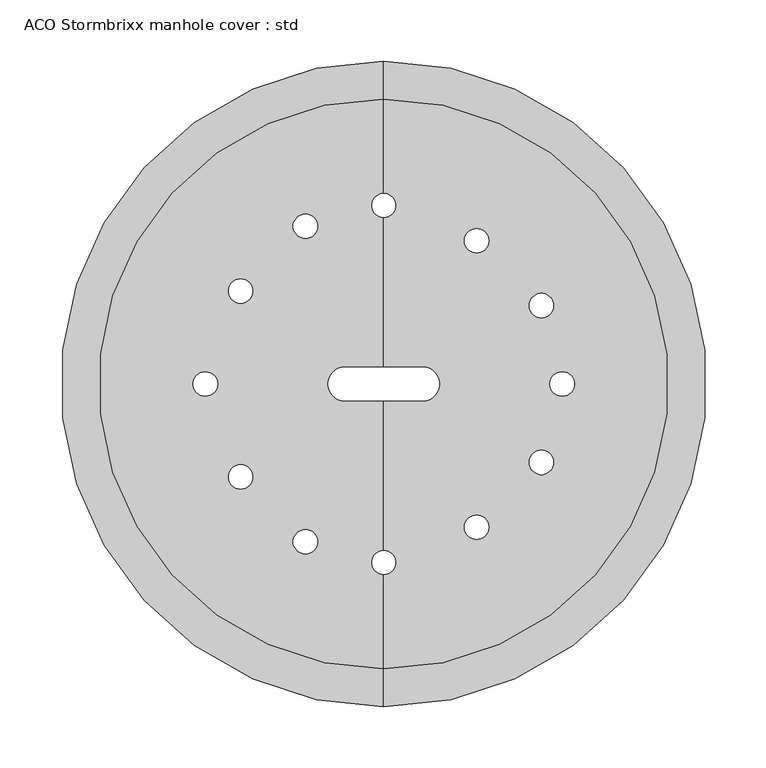
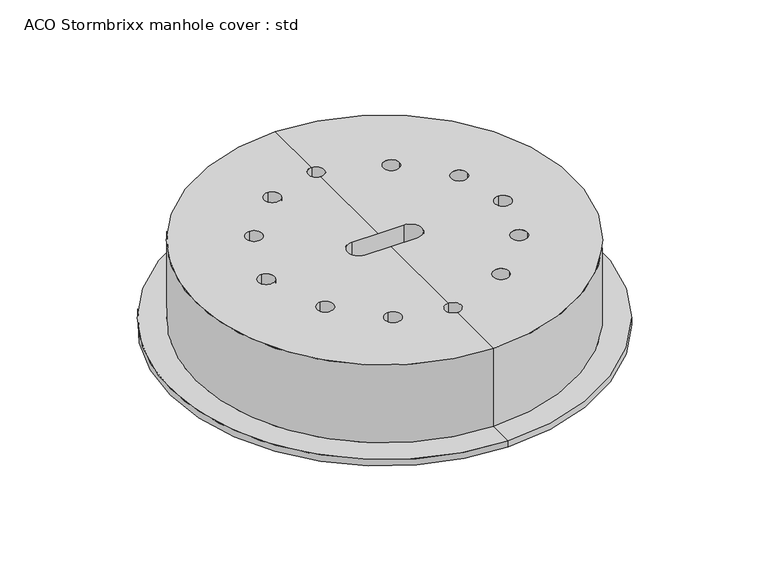
"""IFC4 building model written with IfcOpenShell, lengths in millimetres: unitary equipment geometry, ACO Stormbrixx manhole cover : std."""

from ifc_helpers import new_model, si_unit, frame, origin, place, context, project, spatial, polyline, circle_curve, source, transform, mapped, element, save
from ifc_brep_helpers import plane_surface, cylinder_surface, revolved_surface, advanced_brep


def aco_stormbrixx_manhole_cover_std_e3dfbb1c(model_context):
    return source(origin(), model_context, "Body", "AdvancedBrep", [
        advanced_brep(
        [(25.0, 223.0, 92.0), (25.0, -223.0, 92.0), (25.0, -223.0, 155.0), (25.0, 223.0, 155.0), (25.0, 264.0, 92.0), (25.0, -264.0, 92.0), (25.0, 264.0, 100.0), (25.0, -264.0, 100.0), (25.0, 233.0, 100.0), (25.0, -233.0, 100.0), (25.0, 233.0, 202.0), (25.0, -233.0, 202.0), (25.0, 156.0, 202.0), (25.0, 136.0, 202.0), (25.0, 14.0, 202.0), (57.0, 14.0, 202.0), (57.0, -14.0, 202.0), (25.0, -14.0, 202.0), (25.0, -136.0, 202.0), (25.0, -156.0, 202.0), (171.0, -10.0, 202.0), (171.0, 10.0, 202.0), (144.0, -64.0858799, 202.0), (164.0, -64.0858799, 202.0), (90.9669914, -117.1188885, 202.0), (110.9669914, -117.1188885, 202.0), (144.0, 64.0858799, 202.0), (164.0, 64.0858799, 202.0), (90.9669914, 117.1188885, 202.0), (110.9669914, 117.1188885, 202.0), (-7.0, -14.0, 202.0), (-7.0, 14.0, 202.0), (-121.0, -10.0, 202.0), (-121.0, 10.0, 202.0), (-39.0858799, 119.0, 202.0), (-39.0858799, 139.0, 202.0), (-92.1188885, 65.9669914, 202.0), (-92.1188885, 85.9669914, 202.0), (-39.0858799, -119.0, 202.0), (-39.0858799, -139.0, 202.0), (-92.1188885, -65.9669914, 202.0), (-92.1188885, -85.9669914, 202.0), (25.0, -156.0, 155.0), (25.0, -136.0, 155.0), (25.0, -14.0, 155.0), (57.0, -14.0, 155.0), (57.0, 14.0, 155.0), (25.0, 14.0, 155.0), (25.0, 136.0, 155.0), (25.0, 156.0, 155.0), (171.0, 10.0, 155.0), (171.0, -10.0, 155.0), (164.0, -64.0858799, 155.0), (144.0, -64.0858799, 155.0), (110.9669914, -117.1188885, 155.0), (90.9669914, -117.1188885, 155.0), (164.0, 64.0858799, 155.0), (144.0, 64.0858799, 155.0), (110.9669914, 117.1188885, 155.0), (90.9669914, 117.1188885, 155.0), (-7.0, 14.0, 155.0), (-7.0, -14.0, 155.0), (-121.0, 10.0, 155.0), (-121.0, -10.0, 155.0), (-39.0858799, 139.0, 155.0), (-39.0858799, 119.0, 155.0), (-92.1188885, 85.9669914, 155.0), (-92.1188885, 65.9669914, 155.0), (-39.0858799, -139.0, 155.0), (-39.0858799, -119.0, 155.0), (-92.1188885, -85.9669914, 155.0), (-92.1188885, -65.9669914, 155.0)],
        [
            (0, 1, circle_curve(frame((25.0, 0.0, 92.0), z_axis=(0.0, 0.0, -1.0), x_axis=(0.0, -1.0, 0.0)), 223.0)),
            (1, 2),
            (2, 3, circle_curve(frame((25.0, 0.0, 155.0), z_axis=(0.0, 0.0, 1.0), x_axis=(0.0, -1.0, 0.0)), 223.0)),
            (3, 0),
            (1, 0, circle_curve(frame((25.0, 0.0, 92.0), z_axis=(0.0, 0.0, -1.0), x_axis=(0.0, -1.0, 0.0)), 223.0)),
            (3, 2, circle_curve(frame((25.0, 0.0, 155.0), z_axis=(0.0, 0.0, 1.0), x_axis=(0.0, -1.0, 0.0)), 223.0)),
            (0, 4),
            (4, 5, circle_curve(frame((25.0, 0.0, 92.0), z_axis=(0.0, 0.0, -1.0), x_axis=(0.0, -1.0, 0.0)), 264.0)),
            (5, 1),
            (5, 4, circle_curve(frame((25.0, 0.0, 92.0), z_axis=(0.0, 0.0, -1.0), x_axis=(0.0, -1.0, 0.0)), 264.0)),
            (4, 6),
            (6, 7, circle_curve(frame((25.0, 0.0, 100.0), z_axis=(0.0, 0.0, -1.0), x_axis=(0.0, -1.0, 0.0)), 264.0)),
            (7, 5),
            (7, 6, circle_curve(frame((25.0, 0.0, 100.0), z_axis=(0.0, 0.0, -1.0), x_axis=(0.0, -1.0, 0.0)), 264.0)),
            (6, 8),
            (8, 9, circle_curve(frame((25.0, 0.0, 100.0), z_axis=(0.0, 0.0, -1.0), x_axis=(0.0, -1.0, 0.0)), 233.0)),
            (9, 7),
            (9, 8, circle_curve(frame((25.0, 0.0, 100.0), z_axis=(0.0, 0.0, -1.0), x_axis=(0.0, -1.0, 0.0)), 233.0)),
            (8, 10),
            (10, 11, circle_curve(frame((25.0, 0.0, 202.0), z_axis=(0.0, 0.0, -1.0), x_axis=(0.0, -1.0, 0.0)), 233.0)),
            (11, 9),
            (11, 10, circle_curve(frame((25.0, 0.0, 202.0), z_axis=(0.0, 0.0, -1.0), x_axis=(0.0, -1.0, 0.0)), 233.0)),
            (10, 12),
            (12, 13, circle_curve(frame((25.0, 146.0, 202.0), z_axis=(0.0, 0.0, -1.0), x_axis=(0.0, -1.0, 0.0)), 10.0)),
            (13, 14),
            (14, 15),
            (15, 16, circle_curve(frame((57.0, 0.0, 202.0), z_axis=(0.0, 0.0, -1.0), x_axis=(0.0, -1.0, 0.0)), 14.0)),
            (16, 17),
            (17, 18),
            (18, 19, circle_curve(frame((25.0, -146.0, 202.0), z_axis=(0.0, 0.0, -1.0), x_axis=(0.0, -1.0, 0.0)), 10.0)),
            (19, 11),
            (20, 21, circle_curve(frame((171.0, 0.0, 202.0), z_axis=(0.0, 0.0, -1.0), x_axis=(0.0, -1.0, 0.0)), 10.0)),
            (21, 20, circle_curve(frame((171.0, 0.0, 202.0), z_axis=(0.0, 0.0, -1.0), x_axis=(0.0, -1.0, 0.0)), 10.0)),
            (22, 23, circle_curve(frame((154.0, -64.0858799, 202.0), z_axis=(0.0, 0.0, -1.0), x_axis=(-1.0, 0.0, 0.0)), 10.0)),
            (23, 22, circle_curve(frame((154.0, -64.0858799, 202.0), z_axis=(0.0, 0.0, -1.0), x_axis=(-1.0, 0.0, 0.0)), 10.0)),
            (24, 25, circle_curve(frame((100.9669914, -117.1188885, 202.0), z_axis=(0.0, 0.0, -1.0), x_axis=(-1.0, 0.0, 0.0)), 10.0)),
            (25, 24, circle_curve(frame((100.9669914, -117.1188885, 202.0), z_axis=(0.0, 0.0, -1.0), x_axis=(-1.0, 0.0, 0.0)), 10.0)),
            (26, 27, circle_curve(frame((154.0, 64.0858799, 202.0), z_axis=(0.0, 0.0, -1.0), x_axis=(-1.0, 0.0, 0.0)), 10.0)),
            (27, 26, circle_curve(frame((154.0, 64.0858799, 202.0), z_axis=(0.0, 0.0, -1.0), x_axis=(-1.0, 0.0, 0.0)), 10.0)),
            (28, 29, circle_curve(frame((100.9669914, 117.1188885, 202.0), z_axis=(0.0, 0.0, -1.0), x_axis=(-1.0, 0.0, 0.0)), 10.0)),
            (29, 28, circle_curve(frame((100.9669914, 117.1188885, 202.0), z_axis=(0.0, 0.0, -1.0), x_axis=(-1.0, 0.0, 0.0)), 10.0)),
            (19, 18, circle_curve(frame((25.0, -146.0, 202.0), z_axis=(0.0, 0.0, -1.0), x_axis=(0.0, -1.0, 0.0)), 10.0)),
            (17, 30),
            (30, 31, circle_curve(frame((-7.0, 0.0, 202.0), z_axis=(0.0, 0.0, -1.0), x_axis=(0.0, -1.0, 0.0)), 14.0)),
            (31, 14),
            (13, 12, circle_curve(frame((25.0, 146.0, 202.0), z_axis=(0.0, 0.0, -1.0), x_axis=(0.0, -1.0, 0.0)), 10.0)),
            (32, 33, circle_curve(frame((-121.0, 0.0, 202.0), z_axis=(0.0, 0.0, -1.0), x_axis=(0.0, -1.0, 0.0)), 10.0)),
            (33, 32, circle_curve(frame((-121.0, 0.0, 202.0), z_axis=(0.0, 0.0, -1.0), x_axis=(0.0, -1.0, 0.0)), 10.0)),
            (34, 35, circle_curve(frame((-39.0858799, 129.0, 202.0), z_axis=(0.0, 0.0, -1.0), x_axis=(0.0, -1.0, 0.0)), 10.0)),
            (35, 34, circle_curve(frame((-39.0858799, 129.0, 202.0), z_axis=(0.0, 0.0, -1.0), x_axis=(0.0, -1.0, 0.0)), 10.0)),
            (36, 37, circle_curve(frame((-92.1188885, 75.9669914, 202.0), z_axis=(0.0, 0.0, -1.0), x_axis=(0.0, -1.0, 0.0)), 10.0)),
            (37, 36, circle_curve(frame((-92.1188885, 75.9669914, 202.0), z_axis=(0.0, 0.0, -1.0), x_axis=(0.0, -1.0, 0.0)), 10.0)),
            (38, 39, circle_curve(frame((-39.0858799, -129.0, 202.0), z_axis=(0.0, 0.0, -1.0), x_axis=(0.0, 1.0, 0.0)), 10.0)),
            (39, 38, circle_curve(frame((-39.0858799, -129.0, 202.0), z_axis=(0.0, 0.0, -1.0), x_axis=(0.0, 1.0, 0.0)), 10.0)),
            (40, 41, circle_curve(frame((-92.1188885, -75.9669914, 202.0), z_axis=(0.0, 0.0, -1.0), x_axis=(0.0, 1.0, 0.0)), 10.0)),
            (41, 40, circle_curve(frame((-92.1188885, -75.9669914, 202.0), z_axis=(0.0, 0.0, -1.0), x_axis=(0.0, 1.0, 0.0)), 10.0)),
            (2, 42),
            (42, 43, circle_curve(frame((25.0, -146.0, 155.0), z_axis=(0.0, 0.0, 1.0), x_axis=(0.0, -1.0, 0.0)), 10.0)),
            (43, 44),
            (44, 45),
            (45, 46, circle_curve(frame((57.0, 0.0, 155.0), z_axis=(0.0, 0.0, 1.0), x_axis=(0.0, -1.0, 0.0)), 14.0)),
            (46, 47),
            (47, 48),
            (48, 49, circle_curve(frame((25.0, 146.0, 155.0), z_axis=(0.0, 0.0, 1.0), x_axis=(0.0, -1.0, 0.0)), 10.0)),
            (49, 3),
            (50, 51, circle_curve(frame((171.0, 0.0, 155.0), z_axis=(0.0, 0.0, 1.0), x_axis=(0.0, -1.0, 0.0)), 10.0)),
            (51, 50, circle_curve(frame((171.0, 0.0, 155.0), z_axis=(0.0, 0.0, 1.0), x_axis=(0.0, -1.0, 0.0)), 10.0)),
            (52, 53, circle_curve(frame((154.0, -64.0858799, 155.0), z_axis=(0.0, 0.0, 1.0), x_axis=(-1.0, 0.0, 0.0)), 10.0)),
            (53, 52, circle_curve(frame((154.0, -64.0858799, 155.0), z_axis=(0.0, 0.0, 1.0), x_axis=(-1.0, 0.0, 0.0)), 10.0)),
            (54, 55, circle_curve(frame((100.9669914, -117.1188885, 155.0), z_axis=(0.0, 0.0, 1.0), x_axis=(-1.0, 0.0, 0.0)), 10.0)),
            (55, 54, circle_curve(frame((100.9669914, -117.1188885, 155.0), z_axis=(0.0, 0.0, 1.0), x_axis=(-1.0, 0.0, 0.0)), 10.0)),
            (56, 57, circle_curve(frame((154.0, 64.0858799, 155.0), z_axis=(0.0, 0.0, 1.0), x_axis=(-1.0, 0.0, 0.0)), 10.0)),
            (57, 56, circle_curve(frame((154.0, 64.0858799, 155.0), z_axis=(0.0, 0.0, 1.0), x_axis=(-1.0, 0.0, 0.0)), 10.0)),
            (58, 59, circle_curve(frame((100.9669914, 117.1188885, 155.0), z_axis=(0.0, 0.0, 1.0), x_axis=(-1.0, 0.0, 0.0)), 10.0)),
            (59, 58, circle_curve(frame((100.9669914, 117.1188885, 155.0), z_axis=(0.0, 0.0, 1.0), x_axis=(-1.0, 0.0, 0.0)), 10.0)),
            (49, 48, circle_curve(frame((25.0, 146.0, 155.0), z_axis=(0.0, 0.0, 1.0), x_axis=(0.0, -1.0, 0.0)), 10.0)),
            (47, 60),
            (60, 61, circle_curve(frame((-7.0, 0.0, 155.0), z_axis=(0.0, 0.0, 1.0), x_axis=(0.0, -1.0, 0.0)), 14.0)),
            (61, 44),
            (43, 42, circle_curve(frame((25.0, -146.0, 155.0), z_axis=(0.0, 0.0, 1.0), x_axis=(0.0, -1.0, 0.0)), 10.0)),
            (62, 63, circle_curve(frame((-121.0, 0.0, 155.0), z_axis=(0.0, 0.0, 1.0), x_axis=(0.0, -1.0, 0.0)), 10.0)),
            (63, 62, circle_curve(frame((-121.0, 0.0, 155.0), z_axis=(0.0, 0.0, 1.0), x_axis=(0.0, -1.0, 0.0)), 10.0)),
            (64, 65, circle_curve(frame((-39.0858799, 129.0, 155.0), z_axis=(0.0, 0.0, 1.0), x_axis=(0.0, -1.0, 0.0)), 10.0)),
            (65, 64, circle_curve(frame((-39.0858799, 129.0, 155.0), z_axis=(0.0, 0.0, 1.0), x_axis=(0.0, -1.0, 0.0)), 10.0)),
            (66, 67, circle_curve(frame((-92.1188885, 75.9669914, 155.0), z_axis=(0.0, 0.0, 1.0), x_axis=(0.0, -1.0, 0.0)), 10.0)),
            (67, 66, circle_curve(frame((-92.1188885, 75.9669914, 155.0), z_axis=(0.0, 0.0, 1.0), x_axis=(0.0, -1.0, 0.0)), 10.0)),
            (68, 69, circle_curve(frame((-39.0858799, -129.0, 155.0), z_axis=(0.0, 0.0, 1.0), x_axis=(0.0, 1.0, 0.0)), 10.0)),
            (69, 68, circle_curve(frame((-39.0858799, -129.0, 155.0), z_axis=(0.0, 0.0, 1.0), x_axis=(0.0, 1.0, 0.0)), 10.0)),
            (70, 71, circle_curve(frame((-92.1188885, -75.9669914, 155.0), z_axis=(0.0, 0.0, 1.0), x_axis=(0.0, 1.0, 0.0)), 10.0)),
            (71, 70, circle_curve(frame((-92.1188885, -75.9669914, 155.0), z_axis=(0.0, 0.0, 1.0), x_axis=(0.0, 1.0, 0.0)), 10.0)),
            (46, 15),
            (31, 60),
            (30, 61),
            (16, 45),
            (62, 33),
            (32, 63),
            (50, 21),
            (20, 51),
            (49, 12),
            (13, 48),
            (43, 18),
            (19, 42),
            (64, 35),
            (34, 65),
            (66, 37),
            (36, 67),
            (52, 23),
            (22, 53),
            (54, 25),
            (24, 55),
            (68, 39),
            (38, 69),
            (70, 41),
            (40, 71),
            (56, 27),
            (26, 57),
            (58, 29),
            (28, 59),
        ],
        [
            revolved_surface(polyline([(25.0, -223.0, 155.0), (25.0, -223.0, 92.0)]), (25.0, 0.0, 202.0), (0.0, 0.0, 1.0)),
            plane_surface(frame((25.0, 0.0, 92.0), z_axis=(0.0, 0.0, -1.0), x_axis=(0.0, -1.0, 0.0))),
            cylinder_surface(frame((25.0, 0.0, 202.0), z_axis=(0.0, 0.0, 1.0), x_axis=(0.0, -1.0, 0.0)), 264.0),
            plane_surface(frame((25.0, 0.0, 100.0), z_axis=(0.0, 0.0, 1.0), x_axis=(0.0, -1.0, 0.0))),
            cylinder_surface(frame((25.0, 0.0, 202.0), z_axis=(0.0, 0.0, 1.0), x_axis=(0.0, -1.0, 0.0)), 233.0),
            plane_surface(frame((25.0, 0.0, 202.0), z_axis=(0.0, 0.0, 1.0), x_axis=(0.0, -1.0, 0.0))),
            plane_surface(frame((25.0, 0.0, 155.0), z_axis=(0.0, 0.0, -1.0), x_axis=(0.0, -1.0, 0.0))),
            plane_surface(frame((57.0, 14.0, 250.0), z_axis=(0.0, -1.0, 0.0), x_axis=(0.0, 0.0, -1.0))),
            revolved_surface(polyline([(-7.0, -14.0, 202.0), (-7.0, -14.0, 155.0)]), (-7.0, 0.0, 0.0), (0.0, 0.0, 1.0)),
            plane_surface(frame((-7.0, -14.0, 250.0), z_axis=(0.0, 1.0, 0.0), x_axis=(0.0, 0.0, -1.0))),
            revolved_surface(polyline([(57.0, -14.0, 202.0), (57.0, -14.0, 155.0)]), (57.0, 0.0, 0.0), (0.0, 0.0, 1.0)),
            revolved_surface(polyline([(-121.0, -10.0, 202.0), (-121.0, -10.0, 155.0)]), (-121.0, 0.0, 0.0), (0.0, 0.0, 1.0)),
            revolved_surface(polyline([(171.0, -10.0, 202.0), (171.0, -10.0, 155.0)]), (171.0, 0.0, 0.0), (0.0, 0.0, 1.0)),
            revolved_surface(polyline([(25.0, 136.0, 202.0), (25.0, 136.0, 155.0)]), (25.0, 146.0, 0.0), (0.0, 0.0, 1.0)),
            revolved_surface(polyline([(25.0, -156.0, 202.0), (25.0, -156.0, 155.0)]), (25.0, -146.0, 0.0), (0.0, 0.0, 1.0)),
            revolved_surface(polyline([(-39.0858799, 119.0, 202.0), (-39.0858799, 119.0, 155.0)]), (-39.0858799, 129.0, 0.0), (0.0, 0.0, 1.0)),
            revolved_surface(polyline([(-92.1188885, 65.9669914, 202.0), (-92.1188885, 65.9669914, 155.0)]), (-92.1188885, 75.9669914, 0.0), (0.0, 0.0, 1.0)),
            revolved_surface(polyline([(144.0, -64.0858799, 202.0), (144.0, -64.0858799, 155.0)]), (154.0, -64.0858799, 0.0), (0.0, 0.0, 1.0)),
            revolved_surface(polyline([(90.9669914, -117.1188885, 202.0), (90.9669914, -117.1188885, 155.0)]), (100.9669914, -117.1188885, 0.0), (0.0, 0.0, 1.0)),
            revolved_surface(polyline([(-39.0858799, -119.0, 202.0), (-39.0858799, -119.0, 155.0)]), (-39.0858799, -129.0, 0.0), (0.0, 0.0, 1.0)),
            revolved_surface(polyline([(-92.1188885, -65.9669914, 202.0), (-92.1188885, -65.9669914, 155.0)]), (-92.1188885, -75.9669914, 0.0), (0.0, 0.0, 1.0)),
            revolved_surface(polyline([(144.0, 64.0858799, 202.0), (144.0, 64.0858799, 155.0)]), (154.0, 64.0858799, 0.0), (0.0, 0.0, 1.0)),
            revolved_surface(polyline([(90.9669914, 117.1188885, 202.0), (90.9669914, 117.1188885, 155.0)]), (100.9669914, 117.1188885, 0.0), (0.0, 0.0, 1.0)),
        ],
        [
            (0, [[1, 2, 3, 4]]),
            (0, [[-2, 5, -4, 6]]),
            (1, [[-1, 7, 8, 9]]),
            (1, [[-5, -9, 10, -7]]),
            (2, [[-8, 11, 12, 13]]),
            (2, [[-10, -13, 14, -11]]),
            (3, [[-12, 15, 16, 17]]),
            (3, [[-14, -17, 18, -15]]),
            (4, [[-16, 19, 20, 21]]),
            (4, [[-18, -21, 22, -19]]),
            (5, [[-20, 23, 24, 25, 26, 27, 28, 29, 30, 31], [32, 33], [34, 35], [36, 37], [38, 39], [40, 41]]),
            (5, [[-22, -31, 42, -29, 43, 44, 45, -25, 46, -23], [47, 48], [49, 50], [51, 52], [53, 54], [55, 56]]),
            (6, [[-3, 57, 58, 59, 60, 61, 62, 63, 64, 65], [66, 67], [68, 69], [70, 71], [72, 73], [74, 75]]),
            (6, [[-6, -65, 76, -63, 77, 78, 79, -59, 80, -57], [81, 82], [83, 84], [85, 86], [87, 88], [89, 90]]),
            (7, [[91, -26, -45, 92, -77, -62]]),
            (8, [[-92, -44, 93, -78]]),
            (9, [[-93, -43, -28, 94, -60, -79]]),
            (10, [[-91, -61, -94, -27]]),
            (11, [[95, -47, 96, -81]]),
            (11, [[-95, -82, -96, -48]]),
            (12, [[97, -32, 98, -66]]),
            (12, [[-97, -67, -98, -33]]),
            (13, [[99, -46, 100, -76]]),
            (13, [[-99, -64, -100, -24]]),
            (14, [[101, -42, 102, -80]]),
            (14, [[-101, -58, -102, -30]]),
            (15, [[103, -49, 104, -83]]),
            (15, [[-103, -84, -104, -50]]),
            (16, [[105, -51, 106, -85]]),
            (16, [[-105, -86, -106, -52]]),
            (17, [[107, -34, 108, -68]]),
            (17, [[-107, -69, -108, -35]]),
            (18, [[109, -36, 110, -70]]),
            (18, [[-109, -71, -110, -37]]),
            (19, [[111, -53, 112, -87]]),
            (19, [[-111, -88, -112, -54]]),
            (20, [[113, -55, 114, -89]]),
            (20, [[-113, -90, -114, -56]]),
            (21, [[115, -38, 116, -72]]),
            (21, [[-115, -73, -116, -39]]),
            (22, [[117, -40, 118, -74]]),
            (22, [[-117, -75, -118, -41]]),
        ],
    ),
    ])


if __name__ == "__main__":
    model = new_model("IFC4")
    model_context = context("Model", 3, world=origin())
    ifc_project = project(units=[si_unit("LENGTHUNIT", "METRE", prefix="MILLI")], contexts=[model_context])
    site = spatial("IfcSite", under=ifc_project)
    building = spatial("IfcBuilding", under=site)
    placement = place(None, origin())
    aco_stormbrixx_manhole_cover_std_shape = aco_stormbrixx_manhole_cover_std_e3dfbb1c(model_context)
    element("IfcUnitaryEquipment", 1, ObjectType="ACO Stormbrixx manhole cover : std", at=placement, inside=building, context=model_context, shape_type="MappedRepresentation", body=[
        mapped(aco_stormbrixx_manhole_cover_std_shape, transform((0.0, 0.0, 0.0), x_axis=(1.0, 0.0, 0.0), y_axis=(0.0, 1.0, 0.0), z_axis=(0.0, 0.0, 1.0))),
    ])
    save(model, "model.ifc")
